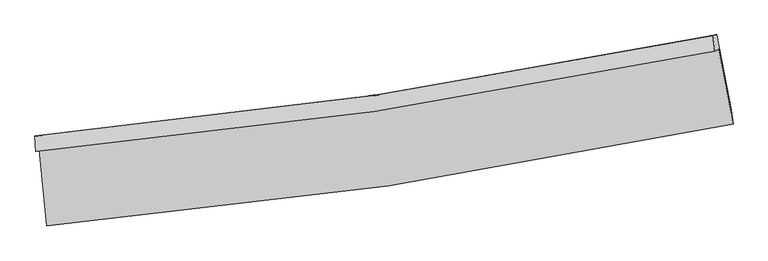
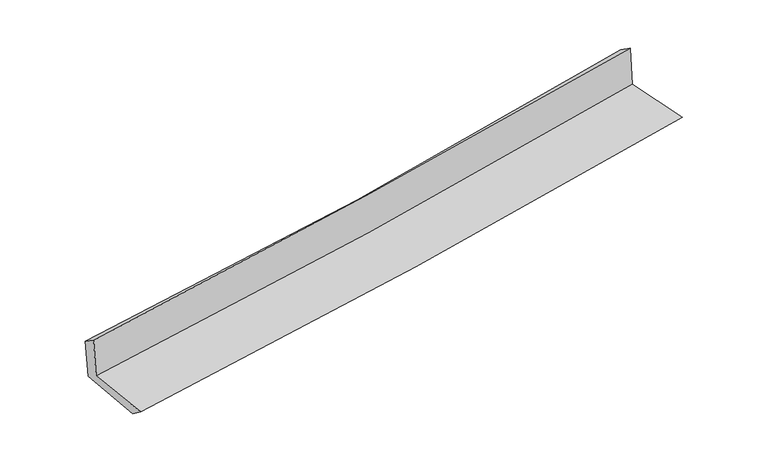
"""IFC4 building model written with IfcOpenShell, lengths in millimetres: proxy geometry."""

from ifc_helpers import new_model, si_unit, frame, origin, place, context, project, spatial, source, transform, mapped, element, save
from ifc_brep_helpers import plane_surface, spline_curve, spline_surface, advanced_brep


def generic_models_3b929349(model_context):
    return source(origin(), model_context, "Body", "AdvancedBrep", [
        advanced_brep(
        [(-2966.3582648, -1899.0806199, 1615.8370565), (-2899.8599675, -2562.0195474, 1613.8503183), (3054.0797402, -1676.7126106, 2120.8113137), (2928.8091603, -1027.0563674, 2125.0904202), (-2998.4324357, -1912.8873148, 2013.1739161), (2896.3547821, -1041.026727, 2527.1373115), (-3004.556231, -1780.550766, 1928.6453908), (2878.9993455, -907.6021077, 2432.2268315), (-2972.4739132, -1774.0843129, 1539.9343216), (2911.6986538, -901.0462062, 2043.6863261), (-2904.4431232, -2431.7599324, 1513.4923887), (3039.0686389, -1553.7795039, 2022.1556685)],
        [
            (0, 1),
            (1, 2, spline_curve(3, [(-2899.8599675, -2562.0195474, 1613.8503183), (-1909.010093053, -2475.549191679, 1723.115929929), (-921.28692562, -2359.351364382, 1819.764079892), (1063.459205832, -2065.195651873, 1989.152851137), (2060.382607957, -1886.291167067, 2061.491699533), (3054.0797402, -1676.7126106, 2120.8113137)], [4, 2, 4], [0.0, 9.788932420026159, 19.732496043403508])),
            (2, 3),
            (3, 0, spline_curve(3, [(2928.8091603, -1027.0563674, 2125.0904202), (1945.6553354, -1232.391227019, 2059.643662009), (958.937027552, -1408.06618497, 1984.071212512), (-1006.228780263, -1697.825632856, 1814.007612923), (-1984.566281058, -1812.825426219, 1719.828941153), (-2966.3582648, -1899.0806199, 1615.8370565)], [4, 2, 4], [0.0, 9.943563623377349, 19.732496043403508])),
            (4, 0),
            (3, 5),
            (5, 4, spline_curve(3, [(2896.3547821, -1041.026727, 2527.1373115), (1912.290015959, -1246.753711967, 2472.975349278), (925.151989509, -1422.609342257, 2402.602403528), (-1039.871923759, -1712.307710015, 2230.781001901), (-2017.662969771, -1827.072275618, 2129.832815713), (-2998.4324357, -1912.8873148, 2013.1739161)], [4, 2, 4], [0.0, 9.893401225742467, 19.632951317754962])),
            (6, 4),
            (5, 7),
            (7, 6, spline_curve(3, [(2878.9993455, -907.6021077, 2432.2268315), (1898.588869075, -1109.497424711, 2354.120588107), (914.214365899, -1283.544333657, 2272.748095531), (-1047.093155979, -1573.66781963, 2104.786819314), (-2023.903845093, -1690.603796789, 2018.298831509), (-3004.556231, -1780.550766, 1928.6453908)], [4, 2, 4], [0.0, 9.883034970759013, 19.612380012215667])),
            (8, 6),
            (7, 9),
            (9, 8, spline_curve(3, [(2911.6986538, -901.0462062, 2043.6863261), (1931.449843379, -1102.90784995, 1962.308579366), (947.103314797, -1276.945625491, 1879.298715981), (-1014.413995894, -1567.099684613, 1711.331014018), (-1991.458323448, -1684.074611291, 1626.423542555), (-2972.4739132, -1774.0843129, 1539.9343216)], [4, 2, 4], [0.0, 9.873882200141601, 19.59421680465398])),
            (10, 8),
            (9, 11),
            (11, 10, spline_curve(3, [(3039.0686389, -1553.7795039, 2022.1556685), (2047.04907603, -1748.244373046, 1940.214796793), (1051.840554297, -1919.03108358, 1856.509864904), (-929.428443998, -2210.960520204, 1686.900999664), (-1915.390509736, -2332.833952147, 1601.051504774), (-2904.4431232, -2431.7599324, 1513.4923887)], [4, 2, 4], [0.0, 9.923003051337268, 19.691694634391833])),
            (1, 10),
            (11, 2),
        ],
        [
            spline_surface(3, 3, [[(-2966.3582648, -1899.0806199, 1615.8370565), (-1984.566281111, -1812.825426121, 1719.828941245), (-1006.22878039, -1697.825632948, 1814.007613008), (958.93702768, -1408.066184876, 1984.071212427), (1945.655335349, -1232.391227157, 2059.643661925), (2928.8091603, -1027.0563674, 2125.0904202)], [(-2944.19216569, -2120.060262403, 1615.174810447), (-1959.380885076, -2033.733347999, 1720.924604103), (-977.914828818, -1918.334210058, 1815.926435321), (993.777753791, -1627.109340572, 1985.765092007), (1983.897759539, -1450.357873804, 2060.259674465), (2970.56602026, -1243.608448449, 2123.664051392)], [(-2922.02606661, -2341.039904897, 1614.512564353), (-1934.195489071, -2254.641269868, 1722.020266921), (-949.600877308, -2138.842787175, 1817.845257591), (1028.61847984, -1846.152496275, 1987.458971544), (2022.140183749, -1668.324520503, 2060.875686928), (3012.32288024, -1460.160529551, 2122.237682508)], [(-2899.8599675, -2562.0195474, 1613.8503183), (-1909.010093036, -2475.549191747, 1723.115929778), (-921.286925736, -2359.351364285, 1819.764079905), (1063.45920595, -2065.195651972, 1989.152851124), (2060.382607939, -1886.291167149, 2061.491699468), (3054.0797402, -1676.7126106, 2120.8113137)]], [4, 4], [4, 2, 4], [0.0, 2.185393478648625], [0.0, 9.788932420026159, 19.732496043403508]),
            spline_surface(3, 3, [[(-2998.4324357, -1912.8873148, 2013.1739161), (-2017.662969784, -1827.07227553, 2129.832815736), (-1039.871923737, -1712.307710039, 2230.781001837), (925.151989487, -1422.609342233, 2402.602403592), (1912.290016045, -1246.753711809, 2472.975349265), (2896.3547821, -1041.026727, 2527.1373115)], [(-2987.741045385, -1908.285083148, 1880.72829624), (-2006.630740212, -1822.323325709, 1993.164857579), (-1028.657542627, -1707.480350998, 2091.856538903), (936.413668879, -1417.761623103, 2263.092006546), (1923.411789153, -1241.966216945, 2335.198120131), (2907.172908173, -1036.369940487, 2393.121681046)], [(-2977.049655115, -1903.682851552, 1748.28267636), (-1995.598510683, -1817.574375942, 1856.496899402), (-1017.4431615, -1702.652991989, 1952.932075942), (947.675348288, -1412.913904006, 2123.581609473), (1934.533562241, -1237.178722021, 2197.420891059), (2917.991034227, -1031.713153913, 2259.106050654)], [(-2966.3582648, -1899.0806199, 1615.8370565), (-1984.566281111, -1812.825426121, 1719.828941245), (-1006.22878039, -1697.825632948, 1814.007613008), (958.93702768, -1408.066184876, 1984.071212427), (1945.655335349, -1232.391227157, 2059.643661925), (2928.8091603, -1027.0563674, 2125.0904202)]], [4, 4], [4, 2, 4], [0.0, 1.3755734888877431], [0.0, 9.739550092012495, 19.632951317754962]),
            spline_surface(3, 3, [[(-3004.556231, -1780.550766, 1928.6453908), (-2023.903844962, -1690.603796734, 2018.298831534), (-1047.093155938, -1573.667819639, 2104.786819188), (914.214365857, -1283.544333648, 2272.748095659), (1898.588868972, -1109.497424703, 2354.120588263), (2878.9993455, -907.6021077, 2432.2268315)], [(-3002.514965903, -1824.662948923, 1956.821565893), (-2021.82355324, -1736.093289656, 2055.476826261), (-1044.686078536, -1619.881116461, 2146.784880057), (917.860240402, -1329.899336531, 2316.032864956), (1903.155917976, -1155.249520416, 2393.738841949), (2884.784491013, -952.076980811, 2463.863658185)], [(-3000.473700797, -1868.775131877, 1984.997741007), (-2019.743261507, -1781.582782608, 2092.654821009), (-1042.279001139, -1666.094413217, 2188.782940968), (921.506114942, -1376.25433935, 2359.317634295), (1907.722967041, -1201.001616095, 2433.357095579), (2890.569636587, -996.551853889, 2495.500484815)], [(-2998.4324357, -1912.8873148, 2013.1739161), (-2017.662969784, -1827.07227553, 2129.832815736), (-1039.871923737, -1712.307710039, 2230.781001837), (925.151989487, -1422.609342233, 2402.602403592), (1912.290016045, -1246.753711809, 2472.975349265), (2896.3547821, -1041.026727, 2527.1373115)]], [4, 4], [4, 2, 4], [0.0, 0.620204983438278], [0.0, 9.729345041456654, 19.612380012215667]),
            spline_surface(3, 3, [[(-2972.4739132, -1774.0843129, 1539.9343216), (-1991.458323352, -1684.074611453, 1626.423542534), (-1014.413996039, -1567.099684747, 1711.331014082), (947.103314944, -1276.945625355, 1879.298715917), (1931.449843305, -1102.907849821, 1962.308579221), (2911.6986538, -901.0462062, 2043.6863261)], [(-2983.168019151, -1776.239797295, 1669.504677999), (-2002.27349724, -1686.251006575, 1757.048638867), (-1025.307049328, -1569.289063051, 1842.48294913), (936.140331926, -1279.145194792, 2010.448509177), (1920.496185194, -1105.104374777, 2092.912582231), (2900.798884367, -903.231506695, 2173.199827896)], [(-2993.862125049, -1778.395281605, 1799.075034401), (-2013.088671075, -1688.427401612, 1887.673735202), (-1036.200102649, -1571.478441335, 1973.63488414), (925.177348876, -1281.344764211, 2141.598302399), (1909.542527083, -1107.300899747, 2223.516585253), (2889.899114933, -905.416807205, 2302.713329704)], [(-3004.556231, -1780.550766, 1928.6453908), (-2023.903844962, -1690.603796734, 2018.298831534), (-1047.093155938, -1573.667819639, 2104.786819188), (914.214365857, -1283.544333648, 2272.748095659), (1898.588868972, -1109.497424703, 2354.120588263), (2878.9993455, -907.6021077, 2432.2268315)]], [4, 4], [4, 2, 4], [0.0, 1.2955077325243534], [0.0, 9.720334604512377, 19.59421680465398]),
            spline_surface(3, 3, [[(-2904.4431232, -2431.7599324, 1513.4923887), (-1915.390509659, -2332.8339522, 1601.051504743), (-929.428444071, -2210.96052007, 1686.90099959), (1051.840554371, -1919.031083716, 1856.509864979), (2047.049076155, -1748.24437305, 1940.214796721), (3039.0686389, -1553.7795039, 2022.1556685)], [(-2927.120053191, -2212.534725882, 1522.306366326), (-1940.746447547, -2116.580838599, 1609.508850666), (-957.756961397, -1996.340241632, 1695.044337762), (1016.928141226, -1705.002597599, 1864.106148634), (2008.515998547, -1533.132198644, 1947.579390865), (2996.611977208, -1336.201738004, 2029.332554344)], [(-2949.796983209, -1993.309519418, 1531.120343974), (-1966.102385464, -1900.327725053, 1617.966196612), (-986.085478713, -1781.719963185, 1703.187675909), (982.01572809, -1490.974111472, 1871.702432262), (1969.982920914, -1318.020024227, 1954.943985077), (2954.155315492, -1118.623972096, 2036.509440256)], [(-2972.4739132, -1774.0843129, 1539.9343216), (-1991.458323352, -1684.074611453, 1626.423542534), (-1014.413996039, -1567.099684747, 1711.331014082), (947.103314944, -1276.945625355, 1879.298715917), (1931.449843305, -1102.907849821, 1962.308579221), (2911.6986538, -901.0462062, 2043.6863261)]], [4, 4], [4, 2, 4], [0.0, 2.1337631507653043], [0.0, 9.768691583054565, 19.691694634391833]),
            spline_surface(3, 3, [[(-2899.8599675, -2562.0195474, 1613.8503183), (-1909.010093036, -2475.549191747, 1723.115929778), (-921.286925736, -2359.351364285, 1819.764079905), (1063.45920595, -2065.195651972, 1989.152851124), (2060.382607939, -1886.291167149, 2061.491699468), (3054.0797402, -1676.7126106, 2120.8113137)], [(-2901.38768608, -2518.599675748, 1580.397675096), (-1911.136898591, -2427.977445246, 1682.427788096), (-924.000765205, -2309.887749529, 1775.476386436), (1059.586322066, -2016.474129202, 1944.938522378), (2055.938097357, -1840.275569103, 2021.066065222), (3049.076039779, -1635.734908354, 2087.926098637)], [(-2902.91540462, -2475.179804052, 1546.945031904), (-1913.263704105, -2380.4056987, 1641.739646426), (-926.714604602, -2260.424134826, 1731.188693059), (1055.713438255, -1967.752606485, 1900.724193725), (2051.493586738, -1794.259971096, 1980.640430967), (3044.072339321, -1594.757206146, 2055.040883563)], [(-2904.4431232, -2431.7599324, 1513.4923887), (-1915.390509659, -2332.8339522, 1601.051504743), (-929.428444071, -2210.96052007, 1686.90099959), (1051.840554371, -1919.031083716, 1856.509864979), (2047.049076155, -1748.24437305, 1940.214796721), (3039.0686389, -1553.7795039, 2022.1556685)]], [4, 4], [4, 2, 4], [0.0, 0.6512755075597754], [0.0, 9.82696351082847, 19.809158984425316]),
            plane_surface(frame((2951.5017201, -1184.5372538, 2211.8513119), z_axis=(0.9784194968661005, 0.18810138857268593, 0.08551699111471489), x_axis=(-0.08385101005714996, -0.01681133302190063, 0.9963364829185081))),
            plane_surface(frame((-2957.6873226, -2060.0637489, 1704.1555653), z_axis=(-0.9915577346033027, -0.09921129679947359, -0.08348878688622462), x_axis=(-0.09980702448618925, 0.9950023448272415, 0.0029818872387475607))),
        ],
        [
            (0, [[1, 2, 3, 4]]),
            (1, [[5, -4, 6, 7]]),
            (2, [[8, -7, 9, 10]]),
            (3, [[11, -10, 12, 13]]),
            (4, [[14, -13, 15, 16]]),
            (5, [[17, -16, 18, -2]]),
            (6, [[-12, -9, -6, -3, -18, -15]]),
            (7, [[-1, -5, -8, -11, -14, -17]]),
        ],
    ),
    ])


if __name__ == "__main__":
    model = new_model("IFC4")
    model_context = context("Model", 3, world=origin())
    ifc_project = project(units=[si_unit("LENGTHUNIT", "METRE", prefix="MILLI")], contexts=[model_context])
    site = spatial("IfcSite", under=ifc_project)
    building = spatial("IfcBuilding", under=site)
    placement = place(None, origin())
    generic_models_shape = generic_models_3b929349(model_context)
    element("IfcBuildingElementProxy", 1, Name="Generic Models", at=placement, inside=building, context=model_context, shape_type="MappedRepresentation", body=[
        mapped(generic_models_shape, transform((0.0, 0.0, 0.0), x_axis=(1.0, 0.0, 0.0), y_axis=(0.0, 1.0, 0.0), z_axis=(0.0, 0.0, 1.0))),
    ])
    save(model, "model.ifc")
